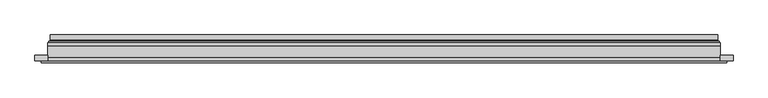
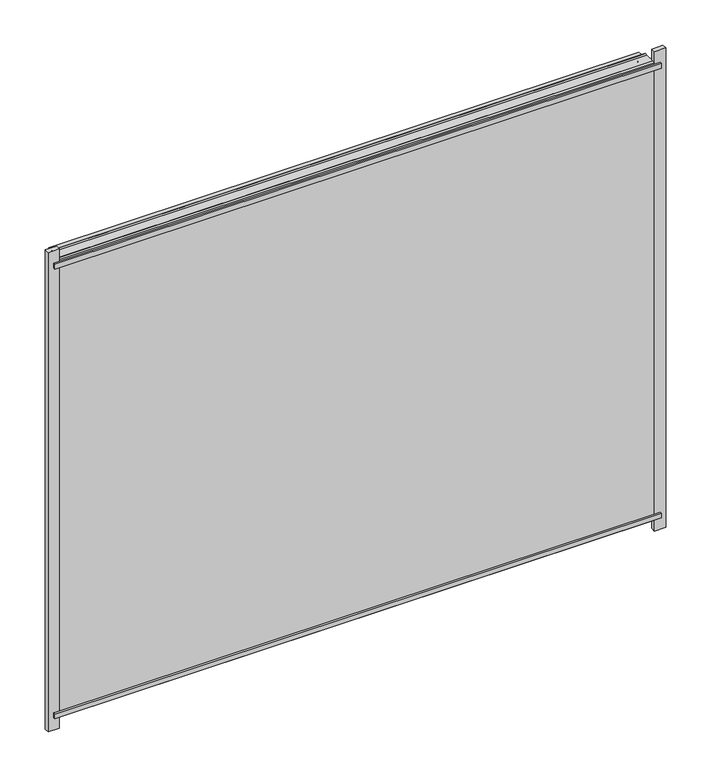
"""IFC4 building model written with IfcOpenShell, lengths in millimetres: plate geometry."""

from ifc_helpers import new_model, si_unit, frame, origin, place, context, project, spatial, polyline, ellipse_curve, outline, extrude, source, transform, mapped, element, save
from ifc_brep_helpers import plane_surface, cylinder_surface, revolved_surface, advanced_brep


def plate_9dc4cd56(model_context):
    return source(origin(), model_context, "Body", "SolidModel", [
        extrude(outline(polyline([(612.5, -27.0), (-612.5, -27.0), (-612.5, -23.0), (612.5, -23.0), (612.5, -27.0)])), frame((0.0, 0.0, 969.5000001), z_axis=(0.0, 0.0, 1.0), x_axis=(1.0, 0.0, 0.0)), (0.0, 0.0, 1.0), 10.0),
        extrude(outline(polyline([(612.5, -27.0), (-612.5, -27.0), (-612.5, -23.0), (612.5, -23.0), (612.5, -27.0)])), frame((0.0, 0.0, 9.5), z_axis=(0.0, 0.0, 1.0), x_axis=(1.0, 0.0, 0.0)), (0.0, 0.0, 1.0), 10.0),
        extrude(outline(polyline([(-624.0, -23.0), (-624.0, -13.51), (-601.0, -13.51), (-601.0, -23.0), (-624.0, -23.0)])), frame((0.0, 0.0, -17.0), z_axis=(0.0, 0.0, 1.0), x_axis=(1.0, 0.0, 0.0)), (0.0, 0.0, 1.0), 1023.0000001),
        extrude(outline(polyline([(624.0, -23.0), (601.0, -23.0), (601.0, -13.51), (624.0, -13.51), (624.0, -23.0)])), frame((0.0, 0.0, -17.0), z_axis=(0.0, 0.0, 1.0), x_axis=(1.0, 0.0, 0.0)), (0.0, 0.0, 1.0), 1023.0000001),
        extrude(outline(polyline([(6.0, -601.0), (6.0, 601.0), (983.0000001, 601.0), (983.0000001, -601.0), (6.0, -601.0)]), holes=[polyline([(28.0, 579.0), (28.0, -579.0), (961.0000001, -579.0), (961.0000001, 579.0), (28.0, 579.0)])]), frame((0.0, -17.0, 0.0), z_axis=(0.0, 1.0, 0.0), x_axis=(0.0, 0.0, 1.0)), (0.0, 0.0, 1.0), 20.0),
        extrude(outline(polyline([(28.0, -579.0), (28.0, 579.0), (961.0000001, 579.0), (961.0000001, -579.0), (28.0, -579.0)]), holes=[polyline([(33.0, 574.0), (33.0, -574.0), (956.0000001, -574.0), (956.0000001, 574.0), (33.0, 574.0)])]), frame((0.0, -17.0, 0.0), z_axis=(0.0, 1.0, 0.0), x_axis=(0.0, 0.0, 1.0)), (0.0, 0.0, 1.0), 20.0),
        extrude(outline(polyline([(601.0, 9.0), (601.0, 3.0), (-601.0, 3.0), (-601.0, 9.0), (601.0, 9.0)])), frame((0.0, 0.0, 6.0), z_axis=(0.0, 0.0, 1.0), x_axis=(1.0, 0.0, 0.0)), (0.0, 0.0, 1.0), 977.0000001),
        extrude(outline(polyline([(-601.0, -23.0), (-601.0, -17.0), (601.0, -17.0), (601.0, -23.0), (-601.0, -23.0)])), frame((0.0, 0.0, 6.0), z_axis=(0.0, 0.0, 1.0), x_axis=(1.0, 0.0, 0.0)), (0.0, 0.0, 1.0), 977.0000001),
        advanced_brep(
        [(-596.5, 23.0, 10.5), (596.5, 23.0, 10.5), (596.5, 13.9230471, 10.5), (-596.5, 13.9230471, 10.5), (-587.5, 12.9110883, 19.5), (587.5, 12.9110883, 19.5), (587.5, 23.0, 19.5), (-587.5, 23.0, 19.5), (596.5, 23.0, 978.5000001), (596.5, 13.9230471, 978.5000001), (587.5, 12.9110883, 969.5000001), (587.5, 23.0, 969.5000001), (-596.5, 23.0, 978.5000001), (-596.5, 13.9230471, 978.5000001), (-587.5, 12.9110883, 969.5000001), (-587.5, 23.0, 969.5000001), (-597.7540757, 9.0, 9.2459243), (597.7540757, 9.0, 9.2459243), (597.7540757, 9.0, 979.7540758), (-597.7540757, 9.0, 979.7540758), (587.2, 9.0, 19.8), (-587.2, 9.0, 19.8), (-587.2, 9.0, 969.2000001), (587.2, 9.0, 969.2000001), (-586.5625, 11.2166581, 20.4375), (586.5625, 11.2166581, 20.4375), (-598.0737575, 11.9689955, 8.9262425), (598.0737575, 11.9689955, 8.9262425), (586.5625, 11.2166581, 968.5625001), (598.0737575, 11.9689955, 980.0737577), (-586.5625, 11.2166581, 968.5625001), (-598.0737575, 11.9689955, 980.0737577)],
        [
            (0, 1),
            (1, 2),
            (2, 3),
            (3, 0),
            (4, 5),
            (5, 6),
            (6, 7),
            (7, 4),
            (1, 8),
            (8, 9),
            (9, 2),
            (5, 10),
            (10, 11),
            (11, 6),
            (8, 12),
            (12, 13),
            (13, 9),
            (10, 14),
            (14, 15),
            (15, 11),
            (16, 17),
            (17, 18),
            (18, 19),
            (19, 16),
            (20, 21),
            (21, 22),
            (22, 23),
            (23, 20),
            (12, 0),
            (3, 13),
            (15, 7),
            (14, 4),
            (24, 25),
            (25, 5, ellipse_curve(frame((585.5, 12.9110883, 21.5), z_axis=(0.7071067811865475, 0.0, 0.7071067811865475), x_axis=(0.7071067811865476, 0.0, -0.7071067811865474)), 2.8284271, 2.0)),
            (4, 24, ellipse_curve(frame((-585.5, 12.9110883, 21.5), z_axis=(-0.7071067811865475, 0.0, 0.7071067811865475), x_axis=(0.7071067811865476, 0.0, 0.7071067811865474)), 2.8284271, 2.0)),
            (20, 25, ellipse_curve(frame((587.2, 10.2, 19.8), z_axis=(-0.7071067811865475, 0.0, -0.7071067811865475), x_axis=(-0.7071067811865476, 0.0, 0.7071067811865474)), 1.6970563, 1.2)),
            (24, 21, ellipse_curve(frame((-587.2, 10.2, 19.8), z_axis=(0.7071067811865475, 0.0, -0.7071067811865475), x_axis=(-0.7071067811865476, 0.0, -0.7071067811865474)), 1.6970563, 1.2)),
            (26, 27),
            (27, 17, ellipse_curve(frame((597.7540757, 10.5034569, 9.2459243), z_axis=(-0.7071067811865475, 0.0, -0.7071067811865475), x_axis=(-0.7071067811865476, 0.0, 0.7071067811865474)), 2.1213203, 1.5)),
            (16, 26, ellipse_curve(frame((-597.7540757, 10.5034569, 9.2459243), z_axis=(0.7071067811865475, 0.0, -0.7071067811865475), x_axis=(-0.7071067811865476, 0.0, -0.7071067811865474)), 2.1213203, 1.5)),
            (25, 28),
            (28, 10, ellipse_curve(frame((585.5, 12.9110883, 967.5000001), z_axis=(-0.7071067811865475, 0.0, 0.7071067811865475), x_axis=(0.7071067811865474, 0.0, 0.7071067811865476)), 2.8284271, 2.0)),
            (23, 28, ellipse_curve(frame((587.2, 10.2, 969.2000001), z_axis=(0.7071067811865475, 0.0, -0.7071067811865475), x_axis=(-0.7071067811865474, 0.0, -0.7071067811865476)), 1.6970563, 1.2)),
            (27, 29),
            (29, 18, ellipse_curve(frame((597.7540757, 10.5034569, 979.7540758), z_axis=(0.7071067811865475, 0.0, -0.7071067811865475), x_axis=(-0.7071067811865474, 0.0, -0.7071067811865476)), 2.1213203, 1.5)),
            (28, 30),
            (30, 14, ellipse_curve(frame((-585.5, 12.9110883, 967.5000001), z_axis=(-0.7071067811865475, 0.0, -0.7071067811865475), x_axis=(-0.7071067811865476, 0.0, 0.7071067811865474)), 2.8284271, 2.0)),
            (22, 30, ellipse_curve(frame((-587.2, 10.2, 969.2000001), z_axis=(0.7071067811865475, 0.0, 0.7071067811865475), x_axis=(0.7071067811865476, 0.0, -0.7071067811865474)), 1.6970563, 1.2)),
            (29, 31),
            (31, 19, ellipse_curve(frame((-597.7540757, 10.5034569, 979.7540758), z_axis=(0.7071067811865475, 0.0, 0.7071067811865475), x_axis=(0.7071067811865476, 0.0, -0.7071067811865474)), 2.1213203, 1.5)),
            (30, 24),
            (31, 26),
            (2, 27, ellipse_curve(frame((598.5, 13.9230471, 8.5), z_axis=(0.7071067811865475, 0.0, 0.7071067811865475), x_axis=(0.7071067811865476, 0.0, -0.7071067811865474)), 2.8284271, 2.0)),
            (26, 3, ellipse_curve(frame((-598.5, 13.9230471, 8.5), z_axis=(-0.7071067811865475, 0.0, 0.7071067811865475), x_axis=(0.7071067811865476, 0.0, 0.7071067811865474)), 2.8284271, 2.0)),
            (9, 29, ellipse_curve(frame((598.5, 13.9230471, 980.5000001), z_axis=(-0.7071067811865475, 0.0, 0.7071067811865475), x_axis=(0.7071067811865474, 0.0, 0.7071067811865476)), 2.8284271, 2.0)),
            (13, 31, ellipse_curve(frame((-598.5, 13.9230471, 980.5000001), z_axis=(-0.7071067811865475, 0.0, -0.7071067811865475), x_axis=(-0.7071067811865476, 0.0, 0.7071067811865474)), 2.8284271, 2.0)),
        ],
        [
            plane_surface(frame((-596.5, 13.9230471, 10.5), z_axis=(0.0, 0.0, -1.0), x_axis=(1.0, 0.0, 0.0))),
            plane_surface(frame((-587.5, 23.0, 19.5), z_axis=(0.0, 0.0, 1.0), x_axis=(1.0, 0.0, 0.0))),
            plane_surface(frame((596.5, 13.9230471, 10.5), z_axis=(1.0, 0.0, 0.0), x_axis=(0.0, 0.0, 1.0))),
            plane_surface(frame((587.5, 23.0, 19.5), z_axis=(-1.0, 0.0, 0.0), x_axis=(0.0, 0.0, 1.0))),
            plane_surface(frame((596.5, 13.9230471, 978.5000001), z_axis=(0.0, 0.0, 1.0), x_axis=(-1.0, 0.0, 0.0))),
            plane_surface(frame((587.5, 23.0, 969.5000001), z_axis=(0.0, 0.0, -1.0), x_axis=(-1.0, 0.0, 0.0))),
            plane_surface(frame((-587.2, 9.0, 969.2000001), z_axis=(0.0, -1.0, 0.0), x_axis=(0.0, 0.0, -1.0))),
            plane_surface(frame((-596.5, 13.9230471, 978.5000001), z_axis=(-1.0, 0.0, 0.0), x_axis=(0.0, 0.0, -1.0))),
            plane_surface(frame((-596.5, 23.0, 978.5000001), z_axis=(0.0, 1.0, 0.0), x_axis=(0.0, 0.0, -1.0))),
            plane_surface(frame((-587.5, 23.0, 969.5000001), z_axis=(1.0, 0.0, 0.0), x_axis=(0.0, 0.0, -1.0))),
            revolved_surface(polyline([(587.5, 10.9110883, 21.5), (-587.5, 10.9110883, 21.5)]), (-601.0, 12.9110883, 21.5), (1.0, 0.0, 0.0)),
            cylinder_surface(frame((-601.0, 10.2, 19.8), z_axis=(-1.0, 0.0, 0.0), x_axis=(0.0, -1.0, 0.0)), 1.2),
            cylinder_surface(frame((-601.0, 10.5034569, 9.2459243), z_axis=(-1.0, 0.0, 0.0), x_axis=(0.0, -1.0, 0.0)), 1.5),
            revolved_surface(polyline([(585.5, 10.9110883, 969.5000001), (585.5, 10.9110883, 19.5)]), (585.5, 12.9110883, 6.0), (0.0, 0.0, 1.0)),
            cylinder_surface(frame((587.2, 10.2, 6.0), z_axis=(0.0, 0.0, -1.0), x_axis=(0.0, -1.0, 0.0)), 1.2),
            cylinder_surface(frame((597.7540757, 10.5034569, 6.0), z_axis=(0.0, 0.0, -1.0), x_axis=(0.0, -1.0, 0.0)), 1.5),
            revolved_surface(polyline([(-587.5, 10.9110883, 967.5000001), (587.5, 10.9110883, 967.5000001)]), (601.0, 12.9110883, 967.5000001), (-1.0, 0.0, 0.0)),
            cylinder_surface(frame((601.0, 10.2, 969.2000001), z_axis=(1.0, 0.0, 0.0), x_axis=(0.0, -1.0, 0.0)), 1.2),
            cylinder_surface(frame((601.0, 10.5034569, 979.7540758), z_axis=(1.0, 0.0, 0.0), x_axis=(0.0, -1.0, 0.0)), 1.5),
            revolved_surface(polyline([(-585.5, 10.9110883, 19.5), (-585.5, 10.9110883, 969.5000001)]), (-585.5, 12.9110883, 983.0000001), (0.0, 0.0, -1.0)),
            cylinder_surface(frame((-587.2, 10.2, 983.0000001), z_axis=(0.0, 0.0, 1.0), x_axis=(0.0, -1.0, 0.0)), 1.2),
            cylinder_surface(frame((-597.7540757, 10.5034569, 983.0000001), z_axis=(0.0, 0.0, 1.0), x_axis=(0.0, -1.0, 0.0)), 1.5),
            revolved_surface(polyline([(600.4999999825018, 11.9230471, 8.5), (-600.4999999825018, 11.9230471, 8.5)]), (-601.0, 13.9230471, 8.5), (1.0, 0.0, 0.0)),
            revolved_surface(polyline([(598.5, 11.9230471, 982.5000000825017), (598.5, 11.9230471, 6.500000017498199)]), (598.5, 13.9230471, 6.0), (0.0, 0.0, 1.0)),
            revolved_surface(polyline([(-600.4999999825018, 11.9230471, 980.5000001), (600.4999999825018, 11.9230471, 980.5000001)]), (601.0, 13.9230471, 980.5000001), (-1.0, 0.0, 0.0)),
            revolved_surface(polyline([(-598.5, 11.9230471, 6.500000017498223), (-598.5, 11.9230471, 982.5000000825017)]), (-598.5, 13.9230471, 983.0000001), (0.0, 0.0, -1.0)),
        ],
        [
            (0, [[1, 2, 3, 4]]),
            (1, [[5, 6, 7, 8]]),
            (2, [[9, 10, 11, -2]]),
            (3, [[12, 13, 14, -6]]),
            (4, [[15, 16, 17, -10]]),
            (5, [[18, 19, 20, -13]]),
            (6, [[21, 22, 23, 24], [25, 26, 27, 28]]),
            (7, [[29, -4, 30, -16]]),
            (8, [[-1, -29, -15, -9], [-7, -14, -20, 31]]),
            (9, [[32, -8, -31, -19]]),
            (10, [[33, 34, -5, 35]]),
            (11, [[-25, 36, -33, 37]]),
            (12, [[38, 39, -21, 40]]),
            (13, [[41, 42, -12, -34]]),
            (14, [[-28, 43, -41, -36]]),
            (15, [[44, 45, -22, -39]]),
            (16, [[46, 47, -18, -42]]),
            (17, [[-27, 48, -46, -43]]),
            (18, [[49, 50, -23, -45]]),
            (19, [[51, -35, -32, -47]]),
            (20, [[-26, -37, -51, -48]]),
            (21, [[52, -40, -24, -50]]),
            (22, [[-3, 53, -38, 54]]),
            (23, [[-11, 55, -44, -53]]),
            (24, [[-17, 56, -49, -55]]),
            (25, [[-30, -54, -52, -56]]),
        ],
    ),
    ])


if __name__ == "__main__":
    model = new_model("IFC4")
    model_context = context("Model", 3, world=origin())
    ifc_project = project(units=[si_unit("LENGTHUNIT", "METRE", prefix="MILLI")], contexts=[model_context])
    site = spatial("IfcSite", under=ifc_project)
    building = spatial("IfcBuilding", under=site)
    placement = place(None, origin())
    plate_shape = plate_9dc4cd56(model_context)
    element("IfcPlate", 1, at=placement, inside=building, context=model_context, shape_type="MappedRepresentation", body=[
        mapped(plate_shape, transform((0.0, 0.0, 0.0), x_axis=(1.0, 0.0, 0.0), y_axis=(0.0, 1.0, 0.0), z_axis=(0.0, 0.0, 1.0))),
    ])
    save(model, "model.ifc")
